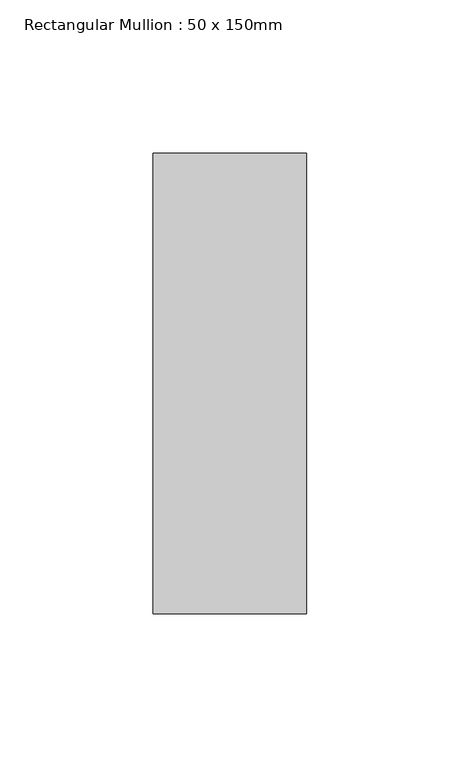
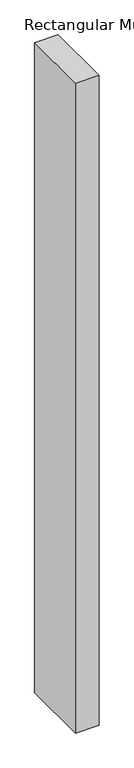
"""IFC4 building model written with IfcOpenShell, lengths in millimetres: member geometry, Rectangular Mullion : 50 x 150mm."""

from ifc_helpers import new_model, si_unit, frame, origin, place, context, project, spatial, polyline, outline, extrude, source, transform, mapped, element, save


def rectangular_mullion_50_x_150mm_19787629(model_context):
    return source(origin(), model_context, "Body", "SweptSolid", [
        extrude(outline(polyline([(25.0, 75.0), (25.0, -75.0), (-25.0, -75.0), (-25.0, 75.0), (25.0, 75.0)])), frame((0.0, 0.0, -1460.9104546), z_axis=(0.0, 0.0, 1.0), x_axis=(1.0, 0.0, 0.0)), (0.0, 0.0, 1.0), 1460.9104546),
    ])


if __name__ == "__main__":
    model = new_model("IFC4")
    model_context = context("Model", 3, world=origin())
    ifc_project = project(units=[si_unit("LENGTHUNIT", "METRE", prefix="MILLI")], contexts=[model_context])
    site = spatial("IfcSite", under=ifc_project)
    building = spatial("IfcBuilding", under=site)
    placement = place(None, origin())
    rectangular_mullion_50_x_150mm_shape = rectangular_mullion_50_x_150mm_19787629(model_context)
    element("IfcMember", 1, ObjectType="Rectangular Mullion : 50 x 150mm", at=placement, inside=building, context=model_context, shape_type="MappedRepresentation", body=[
        mapped(rectangular_mullion_50_x_150mm_shape, transform((0.0, 0.0, 0.0), x_axis=(1.0, 0.0, 0.0), y_axis=(0.0, 1.0, 0.0), z_axis=(0.0, 0.0, 1.0))),
    ])
    save(model, "model.ifc")
